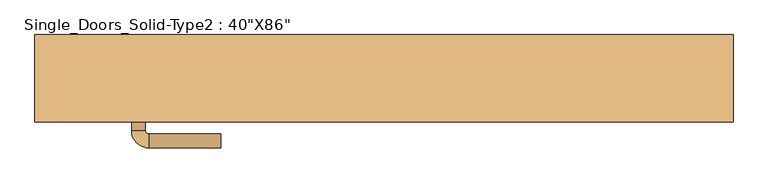
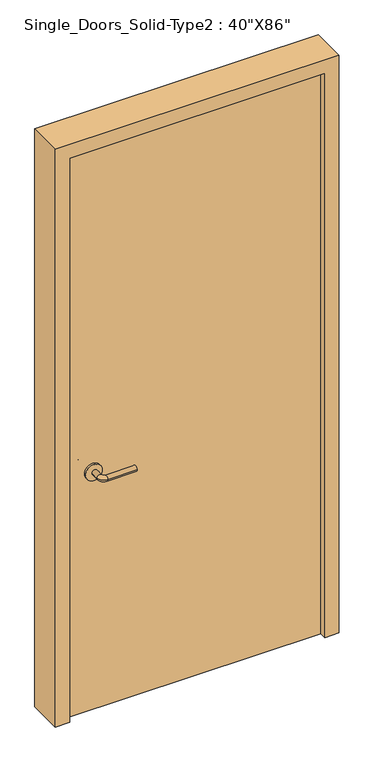
"""IFC4 building model written with IfcOpenShell, lengths in millimetres: door geometry."""

from ifc_helpers import new_model, si_unit, point, frame, frame_2d, origin, origin_with_axes, place, context, project, spatial, polyline, circle_curve, ellipse_curve, trimmed, segment, composite_curve, outline, extrude, source, transform, mapped, element, save
from ifc_brep_helpers import plane_surface, cylinder_surface, revolved_surface, advanced_brep


def door_372ee27f(model_context):
    return source(origin(), model_context, "Body", "SolidModel", [
        advanced_brep(
        [(-367.2, 8.0, 900.0), (-347.2, 8.0, 900.0), (-367.2, 38.0, 900.0), (-347.2, 38.0, 900.0), (-342.2, 43.0, 900.0), (-342.2, 63.0, 900.0), (-237.2, 63.0, 900.0), (-237.2, 43.0, 900.0)],
        [
            (0, 1, circle_curve(frame((-357.2, 8.0, 900.0), z_axis=(0.0, -1.0, 0.0), x_axis=(1.0, 0.0, 0.0)), 10.0)),
            (1, 0, circle_curve(frame((-357.2, 8.0, 900.0), z_axis=(0.0, -1.0, 0.0), x_axis=(1.0, 0.0, 0.0)), 10.0)),
            (0, 2),
            (2, 3, circle_curve(frame((-357.2, 38.0, 900.0), z_axis=(0.0, -1.0, 0.0), x_axis=(1.0, 0.0, 0.0)), 10.0)),
            (3, 1),
            (3, 2, circle_curve(frame((-357.2, 38.0, 900.0), z_axis=(0.0, -1.0, 0.0), x_axis=(1.0, 0.0, 0.0)), 10.0)),
            (4, 3, circle_curve(frame((-342.2, 38.0, 900.0), z_axis=(0.0, 0.0, 1.0), x_axis=(-1.0, 0.0, 0.0)), 5.0)),
            (2, 5, circle_curve(frame((-342.2, 38.0, 900.0), z_axis=(0.0, 0.0, -1.0), x_axis=(-1.0, 0.0, 0.0)), 25.0)),
            (5, 4, circle_curve(frame((-342.2, 53.0, 900.0), z_axis=(-1.0, 0.0, 0.0), x_axis=(0.0, -1.0, 0.0)), 10.0)),
            (4, 5, circle_curve(frame((-342.2, 53.0, 900.0), z_axis=(-1.0, 0.0, 0.0), x_axis=(0.0, -1.0, 0.0)), 10.0)),
            (6, 7, circle_curve(frame((-237.2, 53.0, 900.0), z_axis=(1.0, 0.0, 0.0), x_axis=(0.0, -1.0, 0.0)), 10.0)),
            (7, 6, circle_curve(frame((-237.2, 53.0, 900.0), z_axis=(1.0, 0.0, 0.0), x_axis=(0.0, -1.0, 0.0)), 10.0)),
            (5, 6),
            (7, 4),
        ],
        [
            plane_surface(frame((-357.2, 8.0, 900.0), z_axis=(0.0, -1.0, 0.0), x_axis=(0.0, 0.0, 1.0))),
            cylinder_surface(frame((-357.2, 8.0, 900.0), z_axis=(0.0, -1.0, 0.0), x_axis=(1.0, 0.0, 0.0)), 10.0),
            revolved_surface(trimmed(ellipse_curve(frame((-357.2, 38.0, 900.0), z_axis=(0.0, -1.0, 0.0), x_axis=(1.0, 0.0, 0.0)), 10.0, 10.0), [point((-367.2, 38.0, 900.0))], [point((-347.2, 38.0, 900.0))], True, "CARTESIAN"), (-342.2, 38.0, 900.0), (0.0, 0.0, -1.0)),
            revolved_surface(trimmed(ellipse_curve(frame((-357.2, 38.0, 900.0), z_axis=(0.0, -1.0, 0.0), x_axis=(1.0, 0.0, 0.0)), 10.0, 10.0), [point((-347.2, 38.0, 900.0))], [point((-367.2, 38.0, 900.0))], True, "CARTESIAN"), (-342.2, 38.0, 900.0), (0.0, 0.0, -1.0)),
            plane_surface(frame((-237.2, 53.0, 900.0), z_axis=(1.0, 0.0, 0.0), x_axis=(0.0, 0.0, 1.0))),
            cylinder_surface(frame((-342.2, 53.0, 900.0), z_axis=(-1.0, 0.0, 0.0), x_axis=(0.0, -1.0, 0.0)), 10.0),
        ],
        [
            (0, [[1, 2]]),
            (1, [[-1, 3, 4, 5]]),
            (1, [[-2, -5, 6, -3]]),
            (2, [[7, -4, 8, 9]]),
            (3, [[-8, -6, -7, 10]]),
            (4, [[11, 12]]),
            (5, [[-9, 13, -12, 14]]),
            (5, [[-10, -14, -11, -13]]),
        ],
    ),
        extrude(outline(composite_curve([segment(trimmed(circle_curve(frame_2d((900.0, -359.7)), 30.0), [point((900.0, -389.7))], [point((900.0, -329.7))], False, "CARTESIAN"), True, "CONTINUOUS"), segment(trimmed(circle_curve(frame_2d((900.0, -359.7)), 30.0), [point((900.0, -329.7))], [point((900.0, -389.7))], False, "CARTESIAN"), True, "CONTINUOUS")], self_intersect=False)), frame((0.0, 0.0, 0.0), z_axis=(0.0, 1.0, 0.0), x_axis=(0.0, 0.0, 1.0)), (0.0, 0.0, 1.0), 8.0),
        advanced_brep(
        [(-367.2, -46.1, 900.0), (-347.2, -46.1, 900.0), (-347.2, -76.1, 900.0), (-367.2, -76.1, 900.0), (-342.2, -81.1, 900.0), (-342.2, -101.1, 900.0), (-237.2, -101.1, 900.0), (-237.2, -81.1, 900.0)],
        [
            (0, 1, circle_curve(frame((-357.2, -46.1, 900.0), z_axis=(0.0, 1.0, 0.0), x_axis=(1.0, 0.0, 0.0)), 10.0)),
            (1, 0, circle_curve(frame((-357.2, -46.1, 900.0), z_axis=(0.0, 1.0, 0.0), x_axis=(1.0, 0.0, 0.0)), 10.0)),
            (1, 2),
            (2, 3, circle_curve(frame((-357.2, -76.1, 900.0), z_axis=(0.0, 1.0, 0.0), x_axis=(1.0, 0.0, 0.0)), 10.0)),
            (3, 0),
            (3, 2, circle_curve(frame((-357.2, -76.1, 900.0), z_axis=(0.0, 1.0, 0.0), x_axis=(1.0, 0.0, 0.0)), 10.0)),
            (4, 5, circle_curve(frame((-342.2, -91.1, 900.0), z_axis=(-1.0, 0.0, 0.0), x_axis=(0.0, 1.0, 0.0)), 10.0)),
            (5, 3, circle_curve(frame((-342.2, -76.1, 900.0), z_axis=(0.0, 0.0, -1.0), x_axis=(-1.0, 0.0, 0.0)), 25.0)),
            (2, 4, circle_curve(frame((-342.2, -76.1, 900.0), z_axis=(0.0, 0.0, 1.0), x_axis=(-1.0, 0.0, 0.0)), 5.0)),
            (5, 4, circle_curve(frame((-342.2, -91.1, 900.0), z_axis=(-1.0, 0.0, 0.0), x_axis=(0.0, 1.0, 0.0)), 10.0)),
            (6, 7, circle_curve(frame((-237.2, -91.1, 900.0), z_axis=(1.0, 0.0, 0.0), x_axis=(0.0, 1.0, 0.0)), 10.0)),
            (7, 6, circle_curve(frame((-237.2, -91.1, 900.0), z_axis=(1.0, 0.0, 0.0), x_axis=(0.0, 1.0, 0.0)), 10.0)),
            (4, 7),
            (6, 5),
        ],
        [
            plane_surface(frame((-357.2, -46.1, 900.0), z_axis=(0.0, 1.0, 0.0), x_axis=(0.0, 0.0, 1.0))),
            cylinder_surface(frame((-357.2, -46.1, 900.0), z_axis=(0.0, 1.0, 0.0), x_axis=(1.0, 0.0, 0.0)), 10.0),
            revolved_surface(trimmed(ellipse_curve(frame((-357.2, -76.1, 900.0), z_axis=(0.0, -1.0, 0.0), x_axis=(1.0, 0.0, 0.0)), 10.0, 10.0), [point((-367.2, -76.1, 900.0))], [point((-347.2, -76.1, 900.0))], True, "CARTESIAN"), (-342.2, -76.1, 900.0), (0.0, 0.0, -1.0)),
            revolved_surface(trimmed(ellipse_curve(frame((-357.2, -76.1, 900.0), z_axis=(0.0, -1.0, 0.0), x_axis=(1.0, 0.0, 0.0)), 10.0, 10.0), [point((-347.2, -76.1, 900.0))], [point((-367.2, -76.1, 900.0))], True, "CARTESIAN"), (-342.2, -76.1, 900.0), (0.0, 0.0, -1.0)),
            plane_surface(frame((-237.2, -91.1, 900.0), z_axis=(1.0, 0.0, 0.0), x_axis=(0.0, 0.0, 1.0))),
            cylinder_surface(frame((-342.2, -91.1, 900.0), z_axis=(-1.0, 0.0, 0.0), x_axis=(0.0, 1.0, 0.0)), 10.0),
        ],
        [
            (0, [[1, 2]]),
            (1, [[3, 4, 5, -2]]),
            (1, [[-5, 6, -3, -1]]),
            (2, [[7, 8, -4, 9]]),
            (3, [[10, -9, -6, -8]]),
            (4, [[11, 12]]),
            (5, [[13, -11, 14, -7]]),
            (5, [[-14, -12, -13, -10]]),
        ],
    ),
        extrude(outline(composite_curve([segment(trimmed(circle_curve(frame_2d((900.0, -359.7)), 30.0), [point((900.0, -389.7))], [point((900.0, -329.7))], False, "CARTESIAN"), True, "CONTINUOUS"), segment(trimmed(circle_curve(frame_2d((900.0, -359.7)), 30.0), [point((900.0, -329.7))], [point((900.0, -389.7))], False, "CARTESIAN"), True, "CONTINUOUS")], self_intersect=False)), frame((0.0, -46.1, 0.0), z_axis=(0.0, 1.0, 0.0), x_axis=(0.0, 0.0, 1.0)), (0.0, 0.0, 1.0), 8.0),
        extrude(outline(polyline([(0.0, -457.2), (2133.6, -457.2), (2133.6, 457.2), (0.0, 457.2), (0.0, 508.0), (2184.4, 508.0), (2184.4, -508.0), (0.0, -508.0), (0.0, -457.2)])), frame((0.0, -63.5, 0.0), z_axis=(0.0, 1.0, 0.0), x_axis=(0.0, 0.0, 1.0)), (0.0, 0.0, 1.0), 127.0),
        extrude(outline(polyline([(457.2, 0.0), (457.2, -38.1), (-457.2, -38.1), (-457.2, 0.0), (457.2, 0.0)])), origin_with_axes(), (0.0, 0.0, 1.0), 2133.6),
    ])


if __name__ == "__main__":
    model = new_model("IFC4")
    model_context = context("Model", 3, world=origin())
    ifc_project = project(units=[si_unit("LENGTHUNIT", "METRE", prefix="MILLI")], contexts=[model_context])
    site = spatial("IfcSite", under=ifc_project)
    building = spatial("IfcBuilding", under=site)
    placement = place(None, origin())
    door_shape = door_372ee27f(model_context)
    element("IfcDoor", 1, ObjectType="Single_Doors_Solid-Type2 : 40\"X86\"", at=placement, inside=building, context=model_context, shape_type="MappedRepresentation", body=[
        mapped(door_shape, transform((0.0, 0.0, 0.0), x_axis=(1.0, 0.0, 0.0), y_axis=(0.0, 1.0, 0.0), z_axis=(0.0, 0.0, 1.0))),
    ])
    save(model, "model.ifc")
